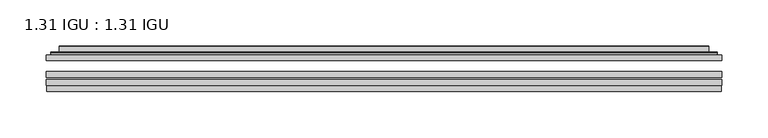
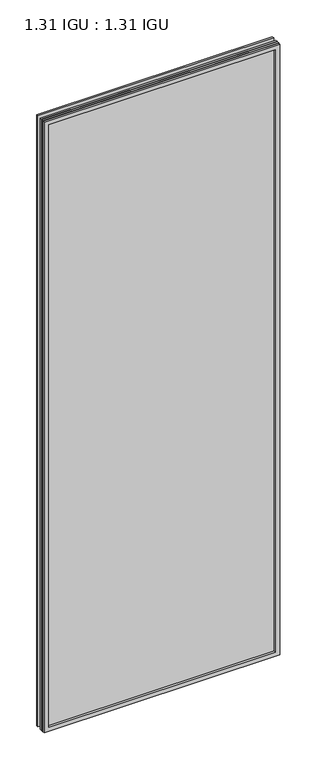
"""IFC4 building model written with IfcOpenShell, lengths in millimetres: plate geometry, 1.31 IGU : 1.31 IGU."""

from ifc_helpers import new_model, si_unit, frame, origin, place, context, project, spatial, polyline, ellipse_curve, outline, extrude, faceted_brep, source, transform, mapped, element, save
from ifc_brep_helpers import plane_surface, cylinder_surface, advanced_brep


def plate_1_31_igu_1_31_igu_77bf9dc9(model_context):
    return source(origin(), model_context, "Body", "SolidModel", [
        extrude(outline(polyline([(366.7108, -63.59525), (366.7108, -69.94525), (-366.696625, -69.94525), (-366.696625, -63.59525), (366.7108, -63.59525)])), frame((0.0, 0.0, -14.2875), z_axis=(0.0, 0.0, 1.0), x_axis=(1.0, 0.0, 0.0)), (0.0, 0.0, 1.0), 2009.8015278),
        extrude(outline(polyline([(-366.696625, -78.58125), (-366.696625, -72.230745), (366.7108, -72.230745), (366.7108, -78.58125), (-366.696625, -78.58125)])), frame((0.0, 0.0, -14.2875), z_axis=(0.0, 0.0, 1.0), x_axis=(1.0, 0.0, 0.0)), (0.0, 0.0, 1.0), 2009.8015278),
        extrude(outline(polyline([(366.7108, -45.25645), (366.7108, -51.60645), (-366.696625, -51.60645), (-366.696625, -45.25645), (366.7108, -45.25645)])), frame((0.0, 0.0, -14.2875), z_axis=(0.0, 0.0, 1.0), x_axis=(1.0, 0.0, 0.0)), (0.0, 0.0, 1.0), 2009.8015278),
        faceted_brep([(-365.9964392, -84.93125, 1994.8100441), (-365.9964392, -78.58125, 1994.8100441), (-365.9964392, -78.58125, -13.5873142), (-365.9964392, -84.93125, -13.5873142), (365.9964392, -78.58125, -13.5873142), (365.9964392, -84.93125, -13.5873142), (365.9964392, -78.58125, 1994.8100441), (365.9964392, -84.93125, 1994.8100441), (-351.5113809, -78.58125, 0.8977441), (351.5113809, -78.58125, 0.8977441), (351.5113809, -78.58125, 1980.3249858), (-351.5113809, -78.58125, 1980.3249858), (-352.4038152, -84.93125, 1981.2174201), (352.4038152, -84.93125, 1981.2174201), (352.4038152, -84.93125, 0.0053098), (-352.4038152, -84.93125, 0.0053098)], [[[0, 1, 2, 3]], [[3, 2, 4, 5]], [[5, 4, 6, 7]], [[1, 6, 4, 2], [8, 9, 10, 11]], [[7, 6, 1, 0]], [[3, 5, 7, 0], [12, 13, 14, 15]], [[11, 12, 15, 8]], [[8, 15, 14, 9]], [[9, 14, 13, 10]], [[10, 13, 12, 11]]]),
        advanced_brep(
        [(-359.455344, -45.25645, 1988.2689489), (-361.8095494, -43.2667833, 1990.6231543), (-361.8095494, -43.2667833, -9.4004244), (-359.455344, -45.25645, -7.046219), (-350.3810189, -41.416413, 1979.1946238), (-345.4461871, -45.25645, 1974.2597919), (-345.4461871, -45.25645, 6.9629379), (-350.3810189, -41.416413, 2.0281061), (-351.4130467, -36.0191819, 1980.2266515), (-351.4130467, -36.0191819, 0.9960783), (-352.4037034, -35.6202069, 1981.2173083), (-352.4037034, -35.6202069, 0.0054216), (-352.4037034, -42.08145, 1981.2173083), (-352.4037034, -42.08145, 0.0054216), (-360.8077599, -42.08145, 1989.6213648), (-360.8077599, -42.08145, -8.3986349), (361.8095494, -43.2667833, -9.4004244), (359.455344, -45.25645, -7.046219), (345.4461871, -45.25645, 6.9629379), (350.3810189, -41.416413, 2.0281061), (351.4130467, -36.0191819, 0.9960783), (352.4037034, -35.6202069, 0.0054216), (352.4037034, -42.08145, 0.0054216), (360.8077599, -42.08145, -8.3986349), (361.8095494, -43.2667833, 1990.6231543), (359.455344, -45.25645, 1988.2689489), (345.4461871, -45.25645, 1974.2597919), (350.3810189, -41.416413, 1979.1946238), (351.4130467, -36.0191819, 1980.2266515), (352.4037034, -35.6202069, 1981.2173083), (352.4037034, -42.08145, 1981.2173083), (360.8077599, -42.08145, 1989.6213648)],
        [
            (0, 1, ellipse_curve(frame((-359.455344, -42.86885, 1988.2689489), z_axis=(-0.7071067811865475, 0.0, -0.7071067811865475), x_axis=(-0.7071067811865474, 0.0, 0.7071067811865476)), 3.3765763, 2.3876)),
            (1, 2),
            (2, 3, ellipse_curve(frame((-359.455344, -42.86885, -7.046219), z_axis=(-0.7071067811865475, 0.0, 0.7071067811865475), x_axis=(0.7071067811865474, 0.0, 0.7071067811865476)), 3.3765763, 2.3876)),
            (3, 0),
            (4, 5),
            (5, 6),
            (6, 7),
            (7, 4),
            (8, 4),
            (7, 9),
            (9, 8),
            (10, 8, ellipse_curve(frame((-352.0367469, -36.1384423, 1980.8503517), z_axis=(-0.7071067811865475, 0.0, -0.7071067811865475), x_axis=(-0.7071067811865474, 0.0, 0.7071067811865476)), 0.8980256, 0.635)),
            (9, 11, ellipse_curve(frame((-352.0367469, -36.1384423, 0.3723781), z_axis=(-0.7071067811865475, 0.0, 0.7071067811865475), x_axis=(0.7071067811865474, 0.0, 0.7071067811865476)), 0.8980256, 0.635)),
            (11, 10),
            (12, 10),
            (11, 13),
            (13, 12),
            (1, 14, ellipse_curve(frame((-360.8077599, -43.09745, 1989.6213648), z_axis=(-0.7071067811865475, 0.0, -0.7071067811865475), x_axis=(-0.7071067811865474, 0.0, 0.7071067811865476)), 1.436841, 1.016)),
            (14, 15),
            (15, 2, ellipse_curve(frame((-360.8077599, -43.09745, -8.3986349), z_axis=(-0.7071067811865475, 0.0, 0.7071067811865475), x_axis=(0.7071067811865474, 0.0, 0.7071067811865476)), 1.436841, 1.016)),
            (2, 16),
            (16, 17, ellipse_curve(frame((359.455344, -42.86885, -7.046219), z_axis=(-0.7071067811865475, 0.0, -0.7071067811865475), x_axis=(-0.7071067811865476, 0.0, 0.7071067811865474)), 3.3765763, 2.3876)),
            (17, 3),
            (6, 18),
            (18, 19),
            (19, 7),
            (19, 20),
            (20, 9),
            (20, 21, ellipse_curve(frame((352.0367469, -36.1384423, 0.3723781), z_axis=(-0.7071067811865475, 0.0, -0.7071067811865475), x_axis=(-0.7071067811865476, 0.0, 0.7071067811865474)), 0.8980256, 0.635)),
            (21, 11),
            (21, 22),
            (22, 13),
            (15, 23),
            (23, 16, ellipse_curve(frame((360.8077599, -43.09745, -8.3986349), z_axis=(-0.7071067811865475, 0.0, -0.7071067811865475), x_axis=(-0.7071067811865476, 0.0, 0.7071067811865474)), 1.436841, 1.016)),
            (16, 24),
            (24, 25, ellipse_curve(frame((359.455344, -42.86885, 1988.2689489), z_axis=(0.7071067811865475, 0.0, -0.7071067811865475), x_axis=(-0.7071067811865474, 0.0, -0.7071067811865476)), 3.3765763, 2.3876)),
            (25, 17),
            (18, 26),
            (26, 27),
            (27, 19),
            (27, 28),
            (28, 20),
            (28, 29, ellipse_curve(frame((352.0367469, -36.1384423, 1980.8503517), z_axis=(0.7071067811865475, 0.0, -0.7071067811865475), x_axis=(-0.7071067811865474, 0.0, -0.7071067811865476)), 0.8980256, 0.635)),
            (29, 21),
            (29, 30),
            (30, 22),
            (23, 31),
            (31, 24, ellipse_curve(frame((360.8077599, -43.09745, 1989.6213648), z_axis=(0.7071067811865475, 0.0, -0.7071067811865475), x_axis=(-0.7071067811865474, 0.0, -0.7071067811865476)), 1.436841, 1.016)),
            (24, 1),
            (0, 25),
            (5, 26),
            (4, 27),
            (8, 28),
            (10, 29),
            (12, 30),
            (14, 31),
        ],
        [
            cylinder_surface(frame((-359.455344, -42.86885, 2012.9727299), z_axis=(0.0, 0.0, 1.0), x_axis=(-1.0, 0.0, 0.0)), 2.3876),
            plane_surface(frame((-345.4461871, -45.25645, 1974.2597919), z_axis=(0.6141233906514794, 0.7892100234124821, 0.0), x_axis=(0.0, 0.0, -1.0))),
            plane_surface(frame((-350.3810189, -41.416413, 1979.1946238), z_axis=(0.9822050625507729, 0.18781164793386076, 0.0), x_axis=(0.0, 0.0, -1.0))),
            cylinder_surface(frame((-352.0367469, -36.1384423, 2012.9727299), z_axis=(0.0, 0.0, 1.0), x_axis=(-1.0, 0.0, 0.0)), 0.635),
            plane_surface(frame((-352.4037034, -35.6202069, 1981.2173083), z_axis=(-1.0, 0.0, 0.0), x_axis=(0.0, 0.0, -1.0))),
            cylinder_surface(frame((-360.8077599, -43.09745, 2012.9727299), z_axis=(0.0, 0.0, 1.0), x_axis=(-1.0, 0.0, 0.0)), 1.016),
            cylinder_surface(frame((-384.159125, -42.86885, -7.046219), z_axis=(-1.0, 0.0, 0.0), x_axis=(0.0, 0.0, -1.0)), 2.3876),
            plane_surface(frame((-345.4461871, -45.25645, 6.9629379), z_axis=(0.0, 0.7892100234124841, 0.6141233906514768), x_axis=(1.0, 0.0, 0.0))),
            plane_surface(frame((-350.3810189, -41.416413, 2.0281061), z_axis=(0.0, 0.18781164793386393, 0.9822050625507723), x_axis=(1.0, 0.0, 0.0))),
            cylinder_surface(frame((-384.159125, -36.1384423, 0.3723781), z_axis=(-1.0, 0.0, 0.0), x_axis=(0.0, 0.0, -1.0)), 0.635),
            plane_surface(frame((-352.4037034, -35.6202069, 0.0054216), z_axis=(0.0, 0.0, -1.0), x_axis=(1.0, 0.0, 0.0))),
            cylinder_surface(frame((-384.159125, -43.09745, -8.3986349), z_axis=(-1.0, 0.0, 0.0), x_axis=(0.0, 0.0, -1.0)), 1.016),
            cylinder_surface(frame((359.455344, -42.86885, -31.75), z_axis=(0.0, 0.0, -1.0), x_axis=(1.0, 0.0, 0.0)), 2.3876),
            plane_surface(frame((345.4461871, -45.25645, 6.9629379), z_axis=(-0.6141233906514743, 0.7892100234124861, 0.0), x_axis=(0.0, 0.0, 1.0))),
            plane_surface(frame((350.3810189, -41.416413, 2.0281061), z_axis=(-0.9822050625507718, 0.1878116479338671, 0.0), x_axis=(0.0, 0.0, 1.0))),
            cylinder_surface(frame((352.0367469, -36.1384423, -31.75), z_axis=(0.0, 0.0, -1.0), x_axis=(1.0, 0.0, 0.0)), 0.635),
            plane_surface(frame((352.4037034, -35.6202069, 0.0054216), z_axis=(1.0, 0.0, 0.0), x_axis=(0.0, 0.0, 1.0))),
            cylinder_surface(frame((360.8077599, -43.09745, -31.75), z_axis=(0.0, 0.0, -1.0), x_axis=(1.0, 0.0, 0.0)), 1.016),
            cylinder_surface(frame((384.159125, -42.86885, 1988.2689489), z_axis=(1.0, 0.0, 0.0), x_axis=(0.0, 0.0, 1.0)), 2.3876),
            plane_surface(frame((359.455344, -45.25645, 1988.2689489), z_axis=(0.0, -1.0, 0.0), x_axis=(-1.0, 0.0, 0.0))),
            plane_surface(frame((345.4461871, -45.25645, 1974.2597919), z_axis=(0.0, 0.7892100234124841, -0.6141233906514768), x_axis=(-1.0, 0.0, 0.0))),
            plane_surface(frame((350.3810189, -41.416413, 1979.1946238), z_axis=(0.0, 0.18781164793386393, -0.9822050625507723), x_axis=(-1.0, 0.0, 0.0))),
            cylinder_surface(frame((384.159125, -36.1384423, 1980.8503517), z_axis=(1.0, 0.0, 0.0), x_axis=(0.0, 0.0, 1.0)), 0.635),
            plane_surface(frame((352.4037034, -35.6202069, 1981.2173083), z_axis=(0.0, 0.0, 1.0), x_axis=(-1.0, 0.0, 0.0))),
            plane_surface(frame((352.4037034, -42.08145, 1981.2173083), z_axis=(0.0, 1.0, 0.0), x_axis=(-1.0, 0.0, 0.0))),
            cylinder_surface(frame((384.159125, -43.09745, 1989.6213648), z_axis=(1.0, 0.0, 0.0), x_axis=(0.0, 0.0, 1.0)), 1.016),
        ],
        [
            (0, [[1, 2, 3, 4]]),
            (1, [[5, 6, 7, 8]]),
            (2, [[9, -8, 10, 11]]),
            (3, [[12, -11, 13, 14]]),
            (4, [[15, -14, 16, 17]]),
            (5, [[18, 19, 20, -2]]),
            (6, [[-3, 21, 22, 23]]),
            (7, [[-7, 24, 25, 26]]),
            (8, [[-10, -26, 27, 28]]),
            (9, [[-13, -28, 29, 30]]),
            (10, [[-16, -30, 31, 32]]),
            (11, [[-20, 33, 34, -21]]),
            (12, [[-22, 35, 36, 37]]),
            (13, [[-25, 38, 39, 40]]),
            (14, [[-27, -40, 41, 42]]),
            (15, [[-29, -42, 43, 44]]),
            (16, [[-31, -44, 45, 46]]),
            (17, [[-34, 47, 48, -35]]),
            (18, [[-36, 49, -1, 50]]),
            (19, [[-23, -37, -50, -4], [51, -38, -24, -6]]),
            (20, [[-39, -51, -5, 52]]),
            (21, [[-41, -52, -9, 53]]),
            (22, [[-43, -53, -12, 54]]),
            (23, [[-45, -54, -15, 55]]),
            (24, [[56, -47, -33, -19], [-32, -46, -55, -17]]),
            (25, [[-48, -56, -18, -49]]),
        ],
    ),
    ])


if __name__ == "__main__":
    model = new_model("IFC4")
    model_context = context("Model", 3, world=origin())
    ifc_project = project(units=[si_unit("LENGTHUNIT", "METRE", prefix="MILLI")], contexts=[model_context])
    site = spatial("IfcSite", under=ifc_project)
    building = spatial("IfcBuilding", under=site)
    placement = place(None, origin())
    plate_1_31_igu_1_31_igu_shape = plate_1_31_igu_1_31_igu_77bf9dc9(model_context)
    element("IfcPlate", 1, ObjectType="1.31 IGU : 1.31 IGU", at=placement, inside=building, context=model_context, shape_type="MappedRepresentation", body=[
        mapped(plate_1_31_igu_1_31_igu_shape, transform((0.0, 0.0, 0.0), x_axis=(1.0, 0.0, 0.0), y_axis=(0.0, 1.0, 0.0), z_axis=(0.0, 0.0, 1.0))),
    ])
    save(model, "model.ifc")
